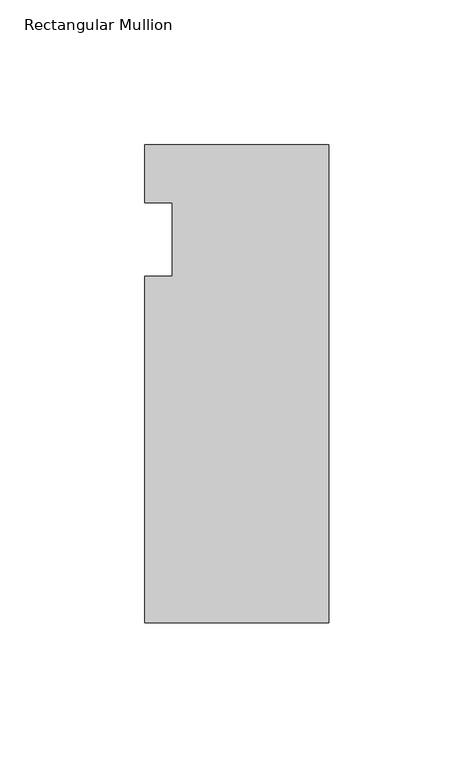
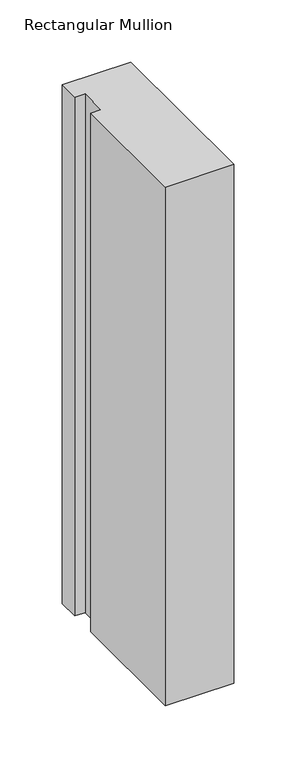
"""IFC4 building model written with IfcOpenShell, lengths in millimetres: member geometry, Rectangular Mullion."""

from ifc_helpers import new_model, si_unit, frame, origin, place, context, project, spatial, polyline, outline, extrude, source, transform, mapped, element, save


def rectangular_mullion_efacbb56(model_context):
    return source(origin(), model_context, "Body", "SweptSolid", [
        extrude(outline(polyline([(-63.5, 20.0421875), (0.0, 20.0421875), (0.0, -145.0578125), (-63.5, -145.0578125), (-63.5, -25.4), (-53.975, -25.4), (-53.975, 0.0), (-63.5, 0.0), (-63.5, 20.0421875)])), frame((0.0, 0.0, -508.0), z_axis=(0.0, 0.0, 1.0), x_axis=(1.0, 0.0, 0.0)), (0.0, 0.0, 1.0), 508.0),
    ])


if __name__ == "__main__":
    model = new_model("IFC4")
    model_context = context("Model", 3, world=origin())
    ifc_project = project(units=[si_unit("LENGTHUNIT", "METRE", prefix="MILLI")], contexts=[model_context])
    site = spatial("IfcSite", under=ifc_project)
    building = spatial("IfcBuilding", under=site)
    placement = place(None, origin())
    rectangular_mullion_shape = rectangular_mullion_efacbb56(model_context)
    element("IfcMember", 1, ObjectType="Rectangular Mullion", at=placement, inside=building, context=model_context, shape_type="MappedRepresentation", body=[
        mapped(rectangular_mullion_shape, transform((0.0, 0.0, 0.0), x_axis=(1.0, 0.0, 0.0), y_axis=(0.0, 1.0, 0.0), z_axis=(0.0, 0.0, 1.0))),
    ])
    save(model, "model.ifc")
